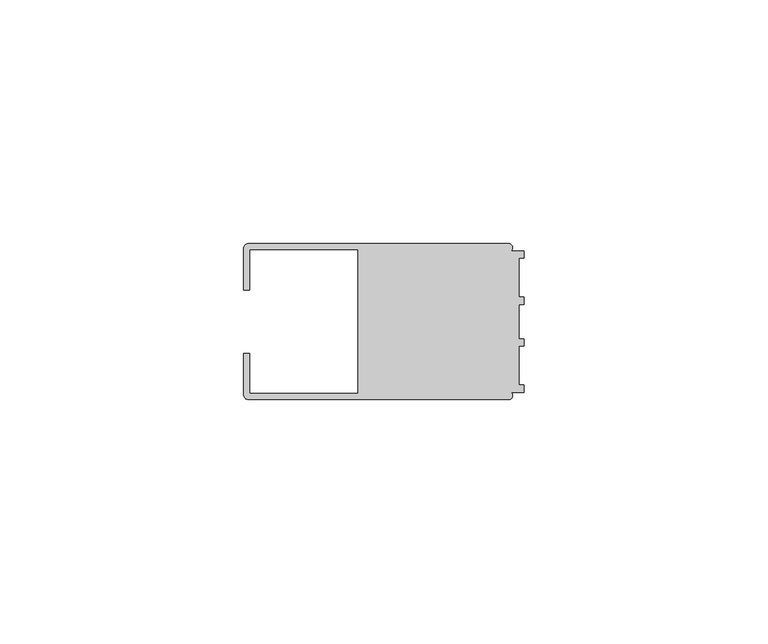
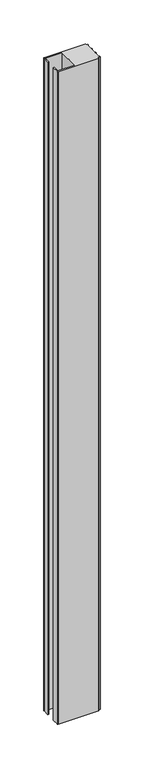
"""IFC4 building model written with IfcOpenShell, lengths in millimetres: member geometry."""

from ifc_helpers import new_model, si_unit, point, frame, frame_2d, origin, place, context, project, spatial, polyline, circle_curve, trimmed, segment, composite_curve, outline, extrude, source, transform, mapped, element, save


def member_82c7c841(model_context):
    return source(origin(), model_context, "Body", "SweptSolid", [
        extrude(outline(composite_curve([segment(polyline([(-57.5, -6.4992596), (-56.2495396, -6.4992596), (-56.2495396, -14.748825), (-34.0, -14.748825), (-34.0, 14.7490791), (-56.2495396, 14.7490791), (-56.2495396, 6.4995138), (-57.5, 6.4995138), (-57.5, 14.9988146)]), True, "CONTINUOUS"), segment(trimmed(circle_curve(frame_2d((-56.4988146, 14.9988146)), 1.0011854), [point((-57.5, 14.9988146))], [point((-56.4988146, 16.0))], False, "CARTESIAN"), True, "CONTINUOUS"), segment(polyline([(-56.4988146, 16.0), (-3.1117213, 16.0)]), True, "CONTINUOUS"), segment(trimmed(circle_curve(frame_2d((-3.1117213, 15.2000428)), 0.7999572), [point((-3.1117213, 16.0))], [point((-2.7237818, 14.5004469))], False, "CARTESIAN"), True, "CONTINUOUS"), segment(polyline([(-2.7237818, 14.5004469), (0.0, 14.5004469), (0.0, 13.0002136), (-0.999267, 13.0002136), (-0.999267, 5.0005709), (0.0, 5.0005709), (0.0, 3.5391588), (-0.999267, 3.5001879), (-0.999267, -3.5001879), (0.0, -3.5378881), (0.0, -4.9993001), (-0.999267, -4.9993001), (-0.999267, -12.9993664), (0.0, -12.9993664), (0.0, -14.4989182), (-2.7260256, -14.4989182)]), True, "CONTINUOUS"), segment(trimmed(circle_curve(frame_2d((-3.1117577, -15.2001372)), 0.8003107), [point((-2.7260256, -14.4989182))], [point((-3.1385263, -16.0))], False, "CARTESIAN"), True, "CONTINUOUS"), segment(polyline([(-3.1385263, -16.0), (-56.498921, -16.0)]), True, "CONTINUOUS"), segment(trimmed(circle_curve(frame_2d((-56.498921, -14.998921)), 1.001079), [point((-56.498921, -16.0))], [point((-57.5, -14.998921))], False, "CARTESIAN"), True, "CONTINUOUS"), segment(polyline([(-57.5, -14.998921), (-57.5, -6.4992596)]), True, "CONTINUOUS")], self_intersect=False)), frame((0.0, 0.0, -914.0), z_axis=(0.0, 0.0, 1.0), x_axis=(1.0, 0.0, 0.0)), (0.0, 0.0, 1.0), 914.0),
    ])


if __name__ == "__main__":
    model = new_model("IFC4")
    model_context = context("Model", 3, world=origin())
    ifc_project = project(units=[si_unit("LENGTHUNIT", "METRE", prefix="MILLI")], contexts=[model_context])
    site = spatial("IfcSite", under=ifc_project)
    building = spatial("IfcBuilding", under=site)
    placement = place(None, origin())
    member_shape = member_82c7c841(model_context)
    element("IfcMember", 1, at=placement, inside=building, context=model_context, shape_type="MappedRepresentation", body=[
        mapped(member_shape, transform((0.0, 0.0, 0.0), x_axis=(1.0, 0.0, 0.0), y_axis=(0.0, 1.0, 0.0), z_axis=(0.0, 0.0, 1.0))),
    ])
    save(model, "model.ifc")
